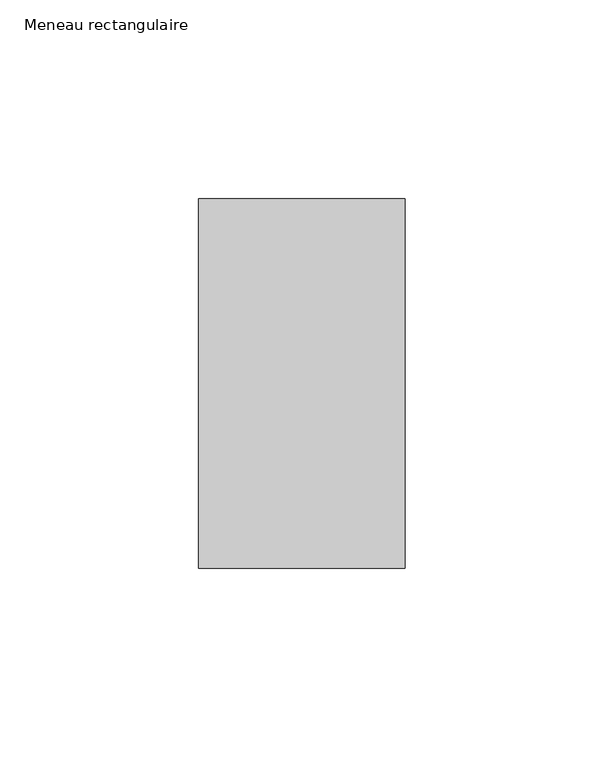
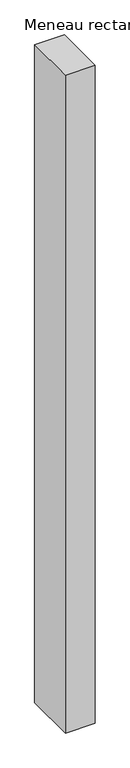
"""IFC4 building model written with IfcOpenShell, lengths in millimetres: member geometry, Meneau rectangulaire."""

from ifc_helpers import new_model, si_unit, frame, origin, place, context, project, spatial, polyline, outline, extrude, source, transform, mapped, element, save


def meneau_rectangulaire_b45cdc45(model_context):
    return source(origin(), model_context, "Body", "SweptSolid", [
        extrude(outline(polyline([(-52.0, 46.5), (0.0, 46.5), (0.0, -46.5), (-52.0, -46.5), (-52.0, 46.5)])), frame((0.0, 0.0, -1217.9999998), z_axis=(0.0, 0.0, 1.0), x_axis=(1.0, 0.0, 0.0)), (0.0, 0.0, 1.0), 1217.9999998),
    ])


if __name__ == "__main__":
    model = new_model("IFC4")
    model_context = context("Model", 3, world=origin())
    ifc_project = project(units=[si_unit("LENGTHUNIT", "METRE", prefix="MILLI")], contexts=[model_context])
    site = spatial("IfcSite", under=ifc_project)
    building = spatial("IfcBuilding", under=site)
    placement = place(None, origin())
    meneau_rectangulaire_shape = meneau_rectangulaire_b45cdc45(model_context)
    element("IfcMember", 1, ObjectType="Meneau rectangulaire", at=placement, inside=building, context=model_context, shape_type="MappedRepresentation", body=[
        mapped(meneau_rectangulaire_shape, transform((0.0, 0.0, 0.0), x_axis=(1.0, 0.0, 0.0), y_axis=(0.0, 1.0, 0.0), z_axis=(0.0, 0.0, 1.0))),
    ])
    save(model, "model.ifc")
